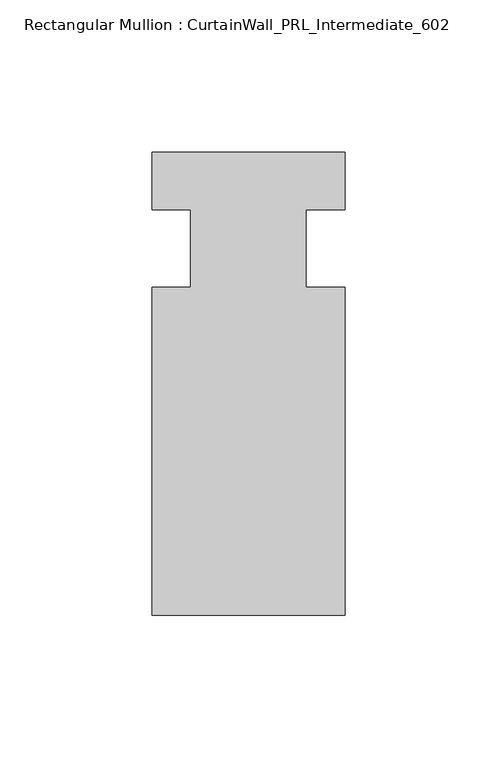
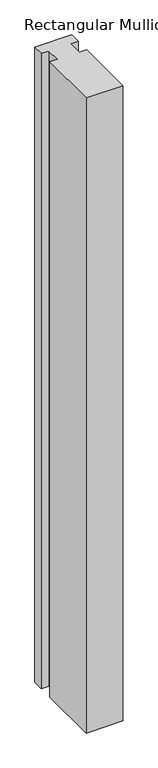
"""IFC4 building model written with IfcOpenShell, lengths in millimetres: member geometry, Rectangular Mullion : CurtainWall_PRL_Intermediate_602."""

from ifc_helpers import new_model, si_unit, frame, origin, place, context, project, spatial, polyline, outline, extrude, source, transform, mapped, element, save


def rectangular_mullion_curtainwall_prl_intermediate_602_42b5283b(model_context):
    return source(origin(), model_context, "Body", "SweptSolid", [
        extrude(outline(polyline([(-19.05, -12.7), (-19.05, 12.7), (-31.75, 12.7), (-31.75, 31.75), (31.75, 31.75), (31.75, 12.7), (19.05, 12.7), (19.05, -12.7), (31.75, -12.7), (31.75, -120.65), (-31.75, -120.65), (-31.75, -12.7), (-19.05, -12.7)])), frame((0.0, 0.0, -1155.7), z_axis=(0.0, 0.0, 1.0), x_axis=(1.0, 0.0, 0.0)), (0.0, 0.0, 1.0), 1155.7),
    ])


if __name__ == "__main__":
    model = new_model("IFC4")
    model_context = context("Model", 3, world=origin())
    ifc_project = project(units=[si_unit("LENGTHUNIT", "METRE", prefix="MILLI")], contexts=[model_context])
    site = spatial("IfcSite", under=ifc_project)
    building = spatial("IfcBuilding", under=site)
    placement = place(None, origin())
    rectangular_mullion_curtainwall_prl_intermediate_602_shape = rectangular_mullion_curtainwall_prl_intermediate_602_42b5283b(model_context)
    element("IfcMember", 1, ObjectType="Rectangular Mullion : CurtainWall_PRL_Intermediate_602", at=placement, inside=building, context=model_context, shape_type="MappedRepresentation", body=[
        mapped(rectangular_mullion_curtainwall_prl_intermediate_602_shape, transform((0.0, 0.0, 0.0), x_axis=(1.0, 0.0, 0.0), y_axis=(0.0, 1.0, 0.0), z_axis=(0.0, 0.0, 1.0))),
    ])
    save(model, "model.ifc")
